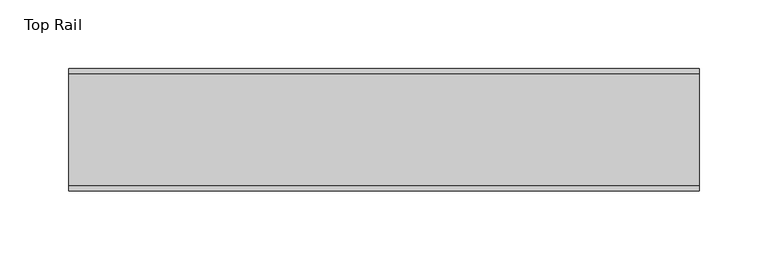
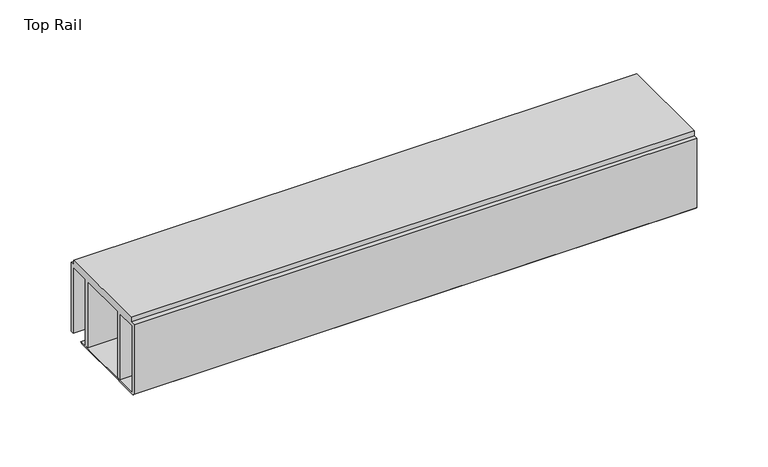
"""IFC4 building model written with IfcOpenShell, lengths in millimetres: furniture geometry, Top Rail."""

from ifc_helpers import new_model, si_unit, frame, origin, place, context, project, spatial, polyline, outline, extrude, source, transform, mapped, element, save


def top_rail_1ae96931(model_context):
    return source(origin(), model_context, "Body", "SweptSolid", [
        extrude(outline(polyline([(59.951805, -4.0000001), (59.951805, -63.5), (57.1518064, -63.5), (57.1518064, -6.6000002), (39.7518058, -6.6000002), (39.7518058, -63.5), (36.4518057, -63.5), (36.4518057, -6.6000002), (-5.4481956, -6.6000002), (-5.4481956, -63.5), (-8.7481957, -63.5), (-8.7481957, -6.6000002), (-26.1481963, -6.6000002), (-26.1481963, -63.9424102), (46.1177636, -63.9424102), (44.9726737, -65.0875), (-6.2135897, -65.0875), (-7.1219223, -64.1791674), (-8.0302549, -65.0875), (-27.0760904, -65.0875), (-28.948195, -63.5), (-28.948195, -4.0000001), (-24.9481962, -4.0000001), (-24.9481962, 0.0), (55.9518063, 0.0), (55.9518063, -4.0000001), (59.951805, -4.0000001)])), frame((-198.6228469, 0.0, 0.0), z_axis=(1.0, 0.0, 0.0), x_axis=(0.0, 1.0, 0.0)), (0.0, 0.0, 1.0), 457.2),
    ])


if __name__ == "__main__":
    model = new_model("IFC4")
    model_context = context("Model", 3, world=origin())
    ifc_project = project(units=[si_unit("LENGTHUNIT", "METRE", prefix="MILLI")], contexts=[model_context])
    site = spatial("IfcSite", under=ifc_project)
    building = spatial("IfcBuilding", under=site)
    placement = place(None, origin())
    top_rail_shape = top_rail_1ae96931(model_context)
    element("IfcFurniture", 1, ObjectType="Top Rail", at=placement, inside=building, context=model_context, shape_type="MappedRepresentation", body=[
        mapped(top_rail_shape, transform((0.0, 0.0, 0.0), x_axis=(1.0, 0.0, 0.0), y_axis=(0.0, 1.0, 0.0), z_axis=(0.0, 0.0, 1.0))),
    ])
    save(model, "model.ifc")
